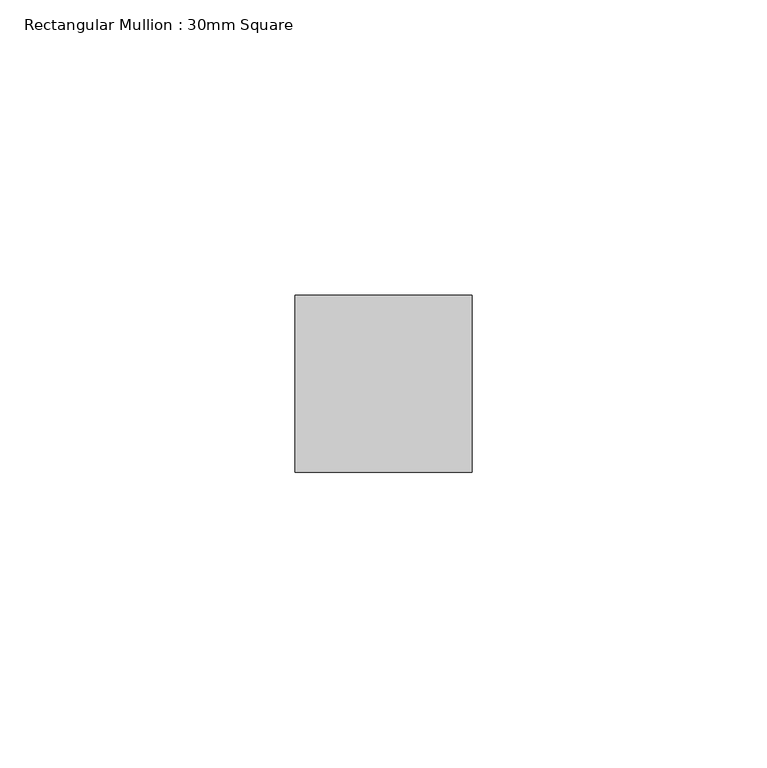
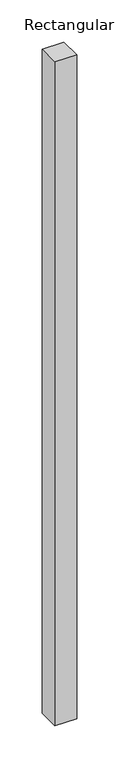
"""IFC4 building model written with IfcOpenShell, lengths in millimetres: member geometry, Rectangular Mullion : 30mm Square."""

from ifc_helpers import new_model, si_unit, frame, origin, place, context, project, spatial, polyline, outline, extrude, source, transform, mapped, element, save


def rectangular_mullion_30mm_square_d777fee9(model_context):
    return source(origin(), model_context, "Body", "SweptSolid", [
        extrude(outline(polyline([(0.0, 15.0), (0.0, -15.0), (-30.0, -15.0), (-30.0, 15.0), (0.0, 15.0)])), frame((0.0, 0.0, -964.132638), z_axis=(0.0, 0.0, 1.0), x_axis=(1.0, 0.0, 0.0)), (0.0, 0.0, 1.0), 964.132638),
    ])


if __name__ == "__main__":
    model = new_model("IFC4")
    model_context = context("Model", 3, world=origin())
    ifc_project = project(units=[si_unit("LENGTHUNIT", "METRE", prefix="MILLI")], contexts=[model_context])
    site = spatial("IfcSite", under=ifc_project)
    building = spatial("IfcBuilding", under=site)
    placement = place(None, origin())
    rectangular_mullion_30mm_square_shape = rectangular_mullion_30mm_square_d777fee9(model_context)
    element("IfcMember", 1, ObjectType="Rectangular Mullion : 30mm Square", at=placement, inside=building, context=model_context, shape_type="MappedRepresentation", body=[
        mapped(rectangular_mullion_30mm_square_shape, transform((0.0, 0.0, 0.0), x_axis=(1.0, 0.0, 0.0), y_axis=(0.0, 1.0, 0.0), z_axis=(0.0, 0.0, 1.0))),
    ])
    save(model, "model.ifc")
